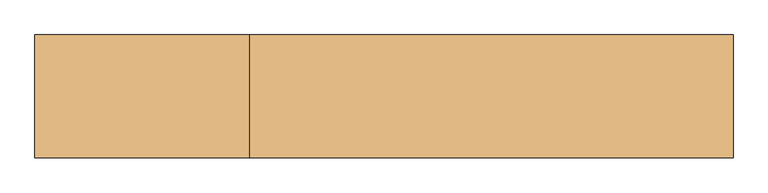
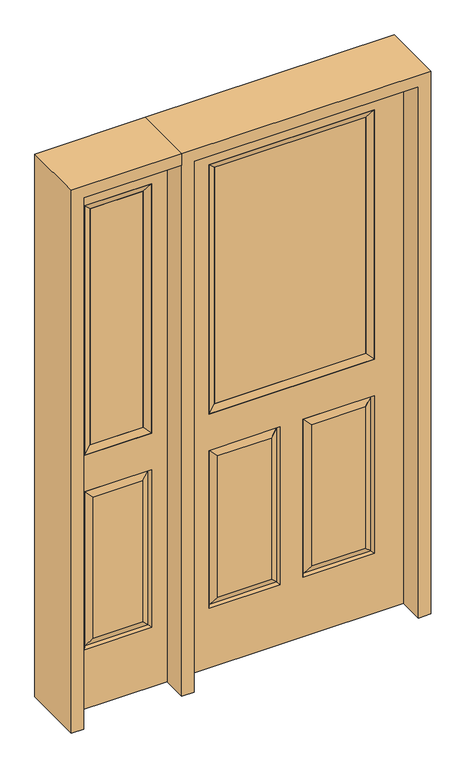
"""IFC4 building model written with IfcOpenShell, lengths in millimetres: door geometry."""

from ifc_helpers import new_model, si_unit, frame, origin, place, context, project, spatial, polyline, outline, extrude, faceted_brep, source, transform, mapped, element, save


def door_25bd6e9e(model_context):
    return source(origin(), model_context, "Body", "SolidModel", [
        faceted_brep([(-406.4, -22.225, 0.0), (406.4, -22.225, 0.0), (406.4, -22.225, 2032.0), (-406.4, -22.225, 2032.0), (-299.339, -22.225, 971.55), (-299.339, -22.225, 1925.574), (299.339, -22.225, 1925.574), (299.339, -22.225, 971.55), (-299.339, -22.225, 831.85), (-41.275, -22.225, 831.85), (-41.275, -22.225, 228.6), (-299.339, -22.225, 228.6), (41.275, -22.225, 831.85), (299.339, -22.225, 831.85), (299.339, -22.225, 228.6), (41.275, -22.225, 228.6), (-73.025, -22.225, 800.1), (-267.589, -22.225, 800.1), (-267.589, -22.225, 260.35), (-73.025, -22.225, 260.35), (267.589, -22.225, 800.1), (73.025, -22.225, 800.1), (73.025, -22.225, 260.35), (267.589, -22.225, 260.35), (-406.4, 22.225, 0.0), (406.4, 22.225, 0.0), (406.4, 22.225, 2032.0), (-406.4, 22.225, 2032.0), (-299.339, 22.225, 971.55), (-299.339, 22.225, 1925.574), (299.339, 22.225, 1925.574), (299.339, 22.225, 971.55), (-41.275, 22.225, 831.85), (-299.339, 22.225, 831.85), (-299.339, 22.225, 228.6), (-41.275, 22.225, 228.6), (299.339, 22.225, 831.85), (41.275, 22.225, 831.85), (41.275, 22.225, 228.6), (299.339, 22.225, 228.6), (-267.589, 22.225, 800.1), (-73.025, 22.225, 800.1), (-73.025, 22.225, 260.35), (-267.589, 22.225, 260.35), (73.025, 22.225, 800.1), (267.589, 22.225, 800.1), (267.589, 22.225, 260.35), (73.025, 22.225, 260.35), (-48.41875, -12.7449236, 824.70625), (-292.19525, -12.7449236, 824.70625), (-292.19525, -12.7449236, 235.74375), (-48.41875, -12.7449236, 235.74375), (292.19525, -12.7449236, 824.70625), (48.41875, -12.7449236, 824.70625), (48.41875, -12.7449236, 235.74375), (292.19525, -12.7449236, 235.74375), (-292.19525, 12.7449236, 824.70625), (-48.41875, 12.7449236, 824.70625), (-48.41875, 12.7449236, 235.74375), (-292.19525, 12.7449236, 235.74375), (48.41875, 12.7449236, 824.70625), (292.19525, 12.7449236, 824.70625), (292.19525, 12.7449236, 235.74375), (48.41875, 12.7449236, 235.74375)], [[[0, 1, 2, 3], [4, 5, 6, 7], [8, 9, 10, 11], [12, 13, 14, 15]], [[16, 17, 18, 19]], [[20, 21, 22, 23]], [[1, 0, 24, 25]], [[2, 1, 25, 26]], [[0, 3, 27, 24]], [[5, 4, 28, 29]], [[7, 6, 30, 31]], [[4, 7, 31, 28]], [[24, 27, 26, 25], [28, 31, 30, 29], [32, 33, 34, 35], [36, 37, 38, 39]], [[40, 41, 42, 43]], [[44, 45, 46, 47]], [[3, 2, 26, 27]], [[6, 5, 29, 30]], [[16, 48, 49, 17]], [[17, 49, 50, 18]], [[51, 19, 18, 50]], [[48, 16, 19, 51]], [[49, 48, 9, 8]], [[9, 48, 51, 10]], [[10, 51, 50, 11]], [[49, 8, 11, 50]], [[52, 53, 21, 20]], [[21, 53, 54, 22]], [[22, 54, 55, 23]], [[52, 20, 23, 55]], [[53, 52, 13, 12]], [[13, 52, 55, 14]], [[54, 15, 14, 55]], [[53, 12, 15, 54]], [[56, 57, 41, 40]], [[41, 57, 58, 42]], [[42, 58, 59, 43]], [[56, 40, 43, 59]], [[57, 56, 33, 32]], [[33, 56, 59, 34]], [[58, 35, 34, 59]], [[57, 32, 35, 58]], [[44, 60, 61, 45]], [[45, 61, 62, 46]], [[63, 47, 46, 62]], [[60, 44, 47, 63]], [[61, 60, 37, 36]], [[37, 60, 63, 38]], [[38, 63, 62, 39]], [[61, 36, 39, 62]]]),
        extrude(outline(polyline([(273.939, -12.7), (-273.939, -12.7), (-273.939, 12.7), (273.939, 12.7), (273.939, -12.7)])), frame((0.0, 0.0, 996.95), z_axis=(0.0, 0.0, 1.0), x_axis=(1.0, 0.0, 0.0)), (0.0, 0.0, 1.0), 903.224),
        faceted_brep([(-299.339, -22.225, 1925.574), (-299.339, 22.225, 1925.574), (-299.339, 22.225, 971.55), (-299.339, -22.225, 971.55), (299.339, 22.225, 971.55), (299.339, -22.225, 971.55), (-273.939, 12.7, 996.95), (273.939, 12.7, 996.95), (299.339, 22.225, 1925.574), (299.339, -22.225, 1925.574), (-273.939, -12.7, 996.95), (273.939, -12.7, 996.95), (-273.939, -12.7, 1900.174), (273.939, -12.7, 1900.174), (-273.939, 12.7, 1900.174), (273.939, 12.7, 1900.174)], [[[0, 1, 2, 3]], [[3, 2, 4, 5]], [[2, 6, 7, 4]], [[5, 4, 8, 9]], [[10, 3, 5, 11]], [[12, 0, 3, 10]], [[11, 5, 9, 13]], [[6, 10, 11, 7]], [[14, 12, 10, 6]], [[7, 11, 13, 15]], [[1, 14, 6, 2]], [[4, 7, 15, 8]], [[9, 8, 1, 0]], [[13, 9, 0, 12]], [[15, 13, 12, 14]], [[8, 15, 14, 1]]]),
        faceted_brep([(-806.45, -22.225, 0.0), (-450.85, -22.225, 0.0), (-450.85, -22.225, 2032.0), (-806.45, -22.225, 2032.0), (-507.238, -22.225, 1925.574), (-507.238, -22.225, 971.55), (-750.062, -22.225, 971.55), (-750.062, -22.225, 1925.574), (-507.238, -22.225, 228.6), (-750.062, -22.225, 228.6), (-750.062, -22.225, 831.85), (-507.238, -22.225, 831.85), (-718.1559872, -22.225, 260.5060128), (-539.1440128, -22.225, 260.5060128), (-539.1440128, -22.225, 799.9439872), (-718.1559872, -22.225, 799.9439872), (-806.45, 22.225, 0.0), (-450.85, 22.225, 0.0), (-450.85, 22.225, 2032.0), (-806.45, 22.225, 2032.0), (-507.238, 22.225, 1925.574), (-507.238, 22.225, 971.55), (-750.062, 22.225, 971.55), (-750.062, 22.225, 1925.574), (-750.062, 22.225, 228.6), (-507.238, 22.225, 228.6), (-507.238, 22.225, 831.85), (-750.062, 22.225, 831.85), (-539.1440128, 22.225, 260.5060128), (-718.1559872, 22.225, 260.5060128), (-718.1559872, 22.225, 799.9439872), (-539.1440128, 22.225, 799.9439872), (-514.1580067, -13.0418409, 235.5200067), (-743.1419933, -13.0418409, 235.5200067), (-743.1419933, -13.0418409, 824.9299933), (-514.1580067, -13.0418409, 824.9299933), (-743.1419933, 13.0418409, 235.5200067), (-514.1580067, 13.0418409, 235.5200067), (-514.1580067, 13.0418409, 824.9299933), (-743.1419933, 13.0418409, 824.9299933)], [[[0, 1, 2, 3], [4, 5, 6, 7], [8, 9, 10, 11]], [[12, 13, 14, 15]], [[1, 0, 16, 17]], [[2, 1, 17, 18]], [[0, 3, 19, 16]], [[5, 4, 20, 21]], [[6, 5, 21, 22]], [[7, 6, 22, 23]], [[16, 19, 18, 17], [20, 23, 22, 21], [24, 25, 26, 27]], [[28, 29, 30, 31]], [[3, 2, 18, 19]], [[4, 7, 23, 20]], [[8, 32, 33, 9]], [[9, 33, 34, 10]], [[35, 11, 10, 34]], [[32, 8, 11, 35]], [[33, 32, 13, 12]], [[13, 32, 35, 14]], [[14, 35, 34, 15]], [[33, 12, 15, 34]], [[36, 37, 25, 24]], [[25, 37, 38, 26]], [[26, 38, 39, 27]], [[36, 24, 27, 39]], [[37, 36, 29, 28]], [[29, 36, 39, 30]], [[38, 31, 30, 39]], [[37, 28, 31, 38]]]),
        extrude(outline(polyline([(-532.638, -12.7), (-724.662, -12.7), (-724.662, 12.7), (-532.638, 12.7), (-532.638, -12.7)])), frame((0.0, 0.0, 996.95), z_axis=(0.0, 0.0, 1.0), x_axis=(1.0, 0.0, 0.0)), (0.0, 0.0, 1.0), 903.224),
        faceted_brep([(-750.062, -22.225, 1925.574), (-750.062, 22.225, 1925.574), (-750.062, 22.225, 971.55), (-750.062, -22.225, 971.55), (-507.238, 22.225, 971.55), (-507.238, -22.225, 971.55), (-724.662, 12.7, 996.95), (-532.638, 12.7, 996.95), (-507.238, 22.225, 1925.574), (-507.238, -22.225, 1925.574), (-724.662, -12.7, 996.95), (-532.638, -12.7, 996.95), (-724.662, -12.7, 1900.174), (-532.638, -12.7, 1900.174), (-724.662, 12.7, 1900.174), (-532.638, 12.7, 1900.174)], [[[0, 1, 2, 3]], [[3, 2, 4, 5]], [[2, 6, 7, 4]], [[5, 4, 8, 9]], [[10, 3, 5, 11]], [[12, 0, 3, 10]], [[11, 5, 9, 13]], [[6, 10, 11, 7]], [[14, 12, 10, 6]], [[7, 11, 13, 15]], [[1, 14, 6, 2]], [[4, 7, 15, 8]], [[9, 8, 1, 0]], [[13, 9, 0, 12]], [[15, 13, 12, 14]], [[8, 15, 14, 1]]]),
        extrude(outline(polyline([(2032.0, -450.85), (2076.45, -450.85), (2076.45, -850.9), (0.0, -850.9), (0.0, -806.45), (2032.0, -806.45), (2032.0, -450.85)])), frame((0.0, -114.3, 0.0), z_axis=(0.0, 1.0, 0.0), x_axis=(0.0, 0.0, 1.0)), (0.0, 0.0, 1.0), 228.6),
        extrude(outline(polyline([(0.0, -450.85), (0.0, -406.4), (2032.0, -406.4), (2032.0, 406.4), (0.0, 406.4), (0.0, 450.85), (2076.45, 450.85), (2076.45, -450.85), (0.0, -450.85)])), frame((0.0, -114.3, 0.0), z_axis=(0.0, 1.0, 0.0), x_axis=(0.0, 0.0, 1.0)), (0.0, 0.0, 1.0), 228.6),
    ])


if __name__ == "__main__":
    model = new_model("IFC4")
    model_context = context("Model", 3, world=origin())
    ifc_project = project(units=[si_unit("LENGTHUNIT", "METRE", prefix="MILLI")], contexts=[model_context])
    site = spatial("IfcSite", under=ifc_project)
    building = spatial("IfcBuilding", under=site)
    placement = place(None, origin())
    door_shape = door_25bd6e9e(model_context)
    element("IfcDoor", 1, at=placement, inside=building, context=model_context, shape_type="MappedRepresentation", body=[
        mapped(door_shape, transform((0.0, 0.0, 0.0), x_axis=(1.0, 0.0, 0.0), y_axis=(0.0, 1.0, 0.0), z_axis=(0.0, 0.0, 1.0))),
    ])
    save(model, "model.ifc")
